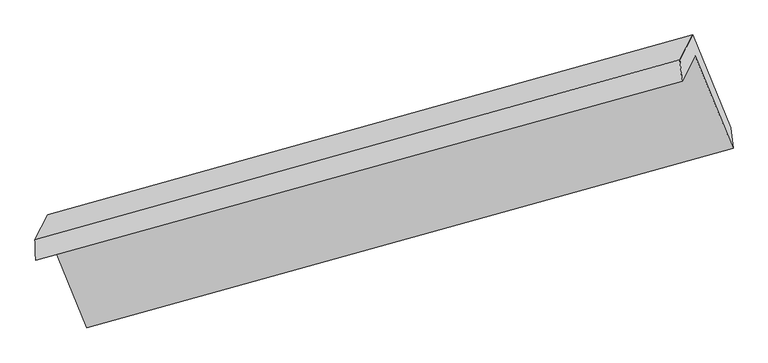
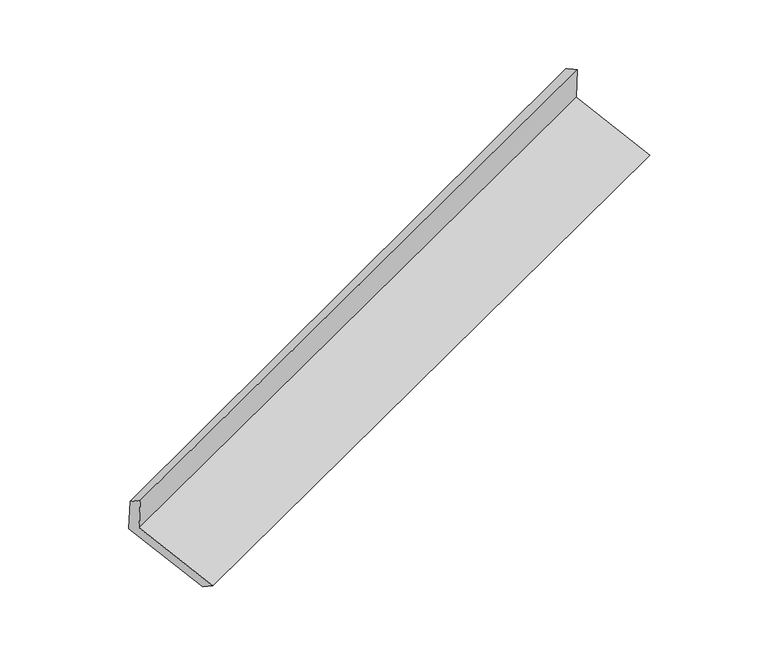
"""IFC4 building model written with IfcOpenShell, lengths in millimetres: proxy geometry."""

import ifcopenshell
import ifcopenshell.guid

model = None  # the IFC model being written
_history = None  # IfcOwnerHistory: only IFC2X3 demands one
_inside = {}  # id of a spatial element -> (the spatial element, [elements in it])
_under = {}  # id of a project, library or spatial element -> (it, [spatial elements below it])
_declared = {}  # id of a project -> (the project, [libraries it declares])
_typed = {}  # id of a type object -> (the type object, [elements of that type])
_made_of = {}  # id of a material, layer set ... -> (it, [elements and type objects made of it])


def new_model(schema):
    """Start an empty IFC model of exactly this schema.

    Asked for "IFC4X3", IfcOpenShell would pick the latest addendum, in which some entities
    have other attributes; the version numbers below select the first issue.
    IFC2X3 requires an IfcOwnerHistory on every rooted entity: one is made here for all.
    """
    global model, _history
    if schema == "IFC4X3":
        model = ifcopenshell.file(schema_version=(4, 3, 0, 0))
    else:
        model = ifcopenshell.file(schema=schema)
    _inside.clear()
    _under.clear()
    _declared.clear()
    _typed.clear()
    _made_of.clear()
    _history = None
    if model.schema == "IFC2X3":
        org = make("IfcOrganization", Name="unknown")
        user = make(
            "IfcPersonAndOrganization",
            ThePerson=make("IfcPerson", FamilyName="unknown"),
            TheOrganization=org,
        )
        app = make(
            "IfcApplication",
            ApplicationDeveloper=org,
            Version="unknown",
            ApplicationFullName="unknown",
            ApplicationIdentifier="unknown",
        )
        _history = make(
            "IfcOwnerHistory",
            OwningUser=user,
            OwningApplication=app,
            ChangeAction="ADDED",
            CreationDate=0,
        )
    return model


def make(cls, **values):
    """One entity of the class cls with the attributes given. An attribute that is None is left unset."""
    return model.create_entity(
        cls, **{name: value for name, value in values.items() if value is not None}
    )


def rooted(cls, **values):
    """An entity with a GlobalId (a new one), such as an element, a storey or a relation."""
    return make(cls, GlobalId=ifcopenshell.guid.new(), OwnerHistory=_history, **values)


def si_unit(unit_type, name, prefix=None):
    """IfcSIUnit, for example si_unit("LENGTHUNIT", "METRE", prefix="MILLI")."""
    return make("IfcSIUnit", UnitType=unit_type, Prefix=prefix, Name=name)


def assignment(units):
    """IfcUnitAssignment: the units of a project."""
    return None if units is None else make("IfcUnitAssignment", Units=units)


def point(xyz):
    """IfcCartesianPoint."""
    return None if xyz is None else make("IfcCartesianPoint", Coordinates=xyz)


def direction(xyz):
    """IfcDirection."""
    return None if xyz is None else make("IfcDirection", DirectionRatios=xyz)


def frame(location, z_axis=None, x_axis=None):
    """IfcAxis2Placement3D, a coordinate frame: its origin and axes. An axis left out is left unset."""
    return make(
        "IfcAxis2Placement3D",
        Location=point(location),
        Axis=direction(z_axis),
        RefDirection=direction(x_axis),
    )


def origin():
    """The frame at (0, 0, 0) with its axes left unset."""
    return frame((0.0, 0.0, 0.0))


def place(relative_to, where):
    """IfcLocalPlacement: puts the frame where relative to a parent placement (None: the world)."""
    return make(
        "IfcLocalPlacement", PlacementRelTo=relative_to, RelativePlacement=where
    )


def context(
    kind, dimensions, precision=None, world=None, true_north=None, identifier=None
):
    """IfcGeometricRepresentationContext, for example the 3D "Model" context."""
    return make(
        "IfcGeometricRepresentationContext",
        ContextIdentifier=identifier,
        ContextType=kind,
        CoordinateSpaceDimension=dimensions,
        Precision=precision,
        WorldCoordinateSystem=world,
        TrueNorth=true_north,
    )


def project(units=None, contexts=None):
    """IfcProject with its units and contexts."""
    return rooted(
        "IfcProject",
        Name="project",
        RepresentationContexts=contexts,
        UnitsInContext=assignment(units),
    )


def spatial(cls, under=None, at=None, **own):
    """A site, building, storey or space (cls), placed at a placement, below another one or the project."""
    s = rooted(cls, ObjectPlacement=at, **own)
    if under is not None:
        _under.setdefault(under.id(), (under, []))[1].append(s)
    return s


def shape(context_of_items, identifier, shape_type, items):
    """IfcShapeRepresentation: the items that make up one representation, for example the "Body"."""
    return make(
        "IfcShapeRepresentation",
        ContextOfItems=context_of_items,
        RepresentationIdentifier=identifier,
        RepresentationType=shape_type,
        Items=items,
    )


def source(mapping_origin, context_of_items, identifier, shape_type, items):
    """IfcRepresentationMap: a shape defined once, which mapped items show again and again."""
    return make(
        "IfcRepresentationMap",
        MappingOrigin=mapping_origin,
        MappedRepresentation=shape(context_of_items, identifier, shape_type, items),
    )


def transform(
    local_origin,
    x_axis=None,
    y_axis=None,
    z_axis=None,
    scale=None,
    scale2=None,
    scale3=None,
    uniform=True,
):
    """IfcCartesianTransformationOperator3D, or its non-uniform kind. x_axis, y_axis, z_axis: its Axis1, 2, 3."""
    if uniform:
        return make(
            "IfcCartesianTransformationOperator3D",
            Axis1=direction(x_axis),
            Axis2=direction(y_axis),
            LocalOrigin=point(local_origin),
            Scale=scale,
            Axis3=direction(z_axis),
        )
    return make(
        "IfcCartesianTransformationOperator3DnonUniform",
        Axis1=direction(x_axis),
        Axis2=direction(y_axis),
        LocalOrigin=point(local_origin),
        Scale=scale,
        Axis3=direction(z_axis),
        Scale2=scale2,
        Scale3=scale3,
    )


def mapped(mapping_source, mapping_target):
    """IfcMappedItem: shows the shape of a source again, moved by a transform."""
    return make(
        "IfcMappedItem", MappingSource=mapping_source, MappingTarget=mapping_target
    )


def made_of(thing, what):
    """Note that an element or type object is made of a material, layer set ...; save() writes the relation."""
    if what is not None:
        _made_of.setdefault(what.id(), (what, []))[1].append(thing)
    return thing


def element(
    cls,
    number,
    at=None,
    inside=None,
    cuts=None,
    type_object=None,
    material=None,
    context=None,
    identifier="Body",
    shape_type=None,
    held_by="IfcProductDefinitionShape",
    body=None,
    shapes=None,
    **own,
):
    """One element of the class cls, such as IfcWall. Its Tag is "e" and its number.

    at: its placement. inside: the storey or other place that contains it. cuts: it is an
    opening in that element (IfcRelVoidsElement). A single representation is given by context,
    identifier, shape_type and body (its items); several are given by shapes. held_by: the class
    of the entity that holds the representations. save() writes the other relations.
    """
    e = rooted(cls, Tag="e%d" % number, ObjectPlacement=at, **own)
    if body is not None:
        shapes = [shape(context, identifier, shape_type, body)]
    if shapes is not None:
        e.Representation = make(held_by, Representations=shapes)
    if inside is not None:
        _inside.setdefault(inside.id(), (inside, []))[1].append(e)
    if cuts is not None:
        rooted(
            "IfcRelVoidsElement", RelatingBuildingElement=cuts, RelatedOpeningElement=e
        )
    if type_object is not None:
        _typed.setdefault(type_object.id(), (type_object, []))[1].append(e)
    return made_of(e, material)


def aggregate(whole, parts):
    """IfcRelAggregates: a whole, such as a stair, and the parts it consists of."""
    return rooted("IfcRelAggregates", RelatingObject=whole, RelatedObjects=parts)


def save(model, path):
    """Write the relations noted so far, then the file.

    IfcRelAggregates (storeys below a building ...), IfcRelContainedInSpatialStructure (elements
    in a storey), IfcRelDefinesByType, IfcRelAssociatesMaterial and IfcRelDeclares: one each for
    every whole, place, type object, material and project.
    """
    for whole, parts in _under.values():
        aggregate(whole, parts)
    for where, things in _inside.values():
        rooted(
            "IfcRelContainedInSpatialStructure",
            RelatedElements=things,
            RelatingStructure=where,
        )
    for kind, things in _typed.values():
        rooted("IfcRelDefinesByType", RelatedObjects=things, RelatingType=kind)
    for what, things in _made_of.values():
        rooted("IfcRelAssociatesMaterial", RelatedObjects=things, RelatingMaterial=what)
    for by, libraries in _declared.values():
        rooted("IfcRelDeclares", RelatingContext=by, RelatedDefinitions=libraries)
    model.write(path)


def plane_surface(at):
    """IfcPlane: the flat surface through the origin of the frame at, square to its z axis."""
    return make("IfcPlane", Position=at)


def spline_surface(u_degree, v_degree, points, u_multiplicities, v_multiplicities, u_knots, v_knots, weights=None):
    """IfcBSplineSurfaceWithKnots; with weights, IfcRationalBSplineSurfaceWithKnots. points: one row for each step in u."""
    own = dict(
        UDegree=u_degree,
        VDegree=v_degree,
        ControlPointsList=[[point(p) for p in row] for row in points],
        SurfaceForm="UNSPECIFIED",
        UClosed=False,
        VClosed=False,
        SelfIntersect=False,
        UMultiplicities=u_multiplicities,
        VMultiplicities=v_multiplicities,
        UKnots=u_knots,
        VKnots=v_knots,
        KnotSpec="UNSPECIFIED",
    )
    if weights is None:
        return make("IfcBSplineSurfaceWithKnots", **own)
    return make("IfcRationalBSplineSurfaceWithKnots", WeightsData=weights, **own)


def advanced_brep(points, edges, surfaces, faces):
    """IfcAdvancedBrep: a solid bounded by faces that lie on surfaces and meet in shared edges.

    An edge is (start, end): straight between two places in points (the first is 0);
    or (start, end, curve); or (start, end, curve, False) where it runs against its curve.
    A face is (place in surfaces, loops), or (place, loops, False) where it looks against
    its surface's normal. A loop lists edges by number (the first is 1), with a minus sign
    where the edge is run from its end to its start. The first loop is the outer one.
    """
    corners = [point(p) for p in points]
    vertices = [make("IfcVertexPoint", VertexGeometry=c) for c in corners]
    made = []
    for start, end, *more in edges:
        made.append(
            make(
                "IfcEdgeCurve",
                EdgeStart=vertices[start],
                EdgeEnd=vertices[end],
                EdgeGeometry=more[0] if more else make("IfcPolyline", Points=[corners[start], corners[end]]),
                SameSense=more[1] if len(more) > 1 else True,
            )
        )
    hull = []
    for where, loops, *sense in faces:
        bounds = []
        for j, loop in enumerate(loops):
            ring = [make("IfcOrientedEdge", EdgeElement=made[abs(k) - 1], Orientation=k > 0) for k in loop]
            bounds.append(
                make(
                    "IfcFaceOuterBound" if j == 0 else "IfcFaceBound",
                    Bound=make("IfcEdgeLoop", EdgeList=ring),
                    Orientation=True,
                )
            )
        hull.append(make("IfcAdvancedFace", Bounds=bounds, FaceSurface=surfaces[where], SameSense=sense[0] if sense else True))
    return make("IfcAdvancedBrep", Outer=make("IfcClosedShell", CfsFaces=hull))


def generic_models_d522c2b1(model_context):
    return source(origin(), model_context, "Body", "AdvancedBrep", [
        advanced_brep(
        [(-5043.1779033, -2051.5321393, 1540.4980933), (-4959.9950027, -1889.8347879, 1185.2770568), (-857.1494021, -752.6138596, 2646.8637423), (-940.3323027, -914.311211, 3002.0847788), (-5048.1044588, -1921.9287579, 1453.9003834), (-953.7778297, -777.613178, 2933.5727827), (-4965.2817354, -1760.9315468, 1100.2174336), (-873.039587, -620.6679414, 2588.7913183), (-4724.1532235, -2349.9792324, 888.5473075), (-631.911075, -1209.7156271, 2377.1211921), (-4719.0771214, -2478.3679286, 973.7918287), (-616.2315208, -1341.1470003, 2435.3785142)],
        [
            (0, 1),
            (1, 2),
            (2, 3),
            (3, 0),
            (4, 0),
            (3, 5),
            (5, 4),
            (6, 4),
            (5, 7),
            (7, 6),
            (8, 6),
            (7, 9),
            (9, 8),
            (10, 8),
            (9, 11),
            (11, 10),
            (1, 10),
            (11, 2),
        ],
        [
            plane_surface(frame((-5001.586453, -1970.6834636, 1362.887575), z_axis=(0.3564504117685719, -0.8790164784400993, -0.3166593352181206), x_axis=(0.20844806445019573, 0.40519745891442455, -0.8901485402539625))),
            spline_surface(1, 1, [[(-5048.1044588, -1921.9287579, 1453.9003834), (-953.7778297, -777.613178, 2933.5727827)], [(-5043.1779033, -2051.5321393, 1540.4980933), (-940.3323027, -914.311211, 3002.0847788)]], [2, 2], [2, 2], [0.0, 1.0], [0.0, 1.0]),
            plane_surface(frame((-5006.6930971, -1841.4301523, 1277.0589085), z_axis=(-0.3594833694992593, 0.8781742363870104, 0.3155657104305697), x_axis=(-0.20844806445019542, -0.40519745891442405, 0.8901485402539628))),
            plane_surface(frame((-4844.7174794, -2055.4553896, 994.3823706), z_axis=(0.210468197539543, 0.4057612059666395, -0.889416090228277), x_axis=(-0.3594833694992645, 0.8781742363870056, 0.3155657104305771))),
            spline_surface(1, 1, [[(-4719.0771214, -2478.3679286, 973.7918287), (-616.2315208, -1341.1470003, 2435.3785142)], [(-4724.1532235, -2349.9792324, 888.5473075), (-631.911075, -1209.7156271, 2377.1211921)]], [2, 2], [2, 2], [0.0, 1.0], [0.0, 1.0]),
            plane_surface(frame((-4839.536062, -2184.1013582, 1079.5344427), z_axis=(-0.20541594528409918, -0.40434809144085665, 0.8912389748945996), x_axis=(0.3594833694992525, -0.8781742363870162, -0.3155657104305614))),
            plane_surface(frame((-812.0736195, -936.0114696, 2663.9687214), z_axis=(0.9095719385955264, 0.25421453505924163, 0.32871546766799664), x_axis=(-0.3594833694992645, 0.8781742363870056, 0.3155657104305771))),
            plane_surface(frame((-4909.9649075, -2075.4290655, 1190.3720172), z_axis=(-0.9095719385955161, -0.2542145350592664, -0.32871546766800586), x_axis=(-0.20844806445019562, -0.4051974589144243, 0.8901485402539627))),
        ],
        [
            (0, [[1, 2, 3, 4]]),
            (1, [[5, -4, 6, 7]]),
            (2, [[8, -7, 9, 10]]),
            (3, [[11, -10, 12, 13]]),
            (4, [[14, -13, 15, 16]]),
            (5, [[17, -16, 18, -2]]),
            (6, [[-12, -9, -6, -3, -18, -15]]),
            (7, [[-1, -5, -8, -11, -14, -17]]),
        ],
    ),
    ])


if __name__ == "__main__":
    model = new_model("IFC4")
    model_context = context("Model", 3, world=origin())
    ifc_project = project(units=[si_unit("LENGTHUNIT", "METRE", prefix="MILLI")], contexts=[model_context])
    site = spatial("IfcSite", under=ifc_project)
    building = spatial("IfcBuilding", under=site)
    placement = place(None, origin())
    generic_models_shape = generic_models_d522c2b1(model_context)
    element("IfcBuildingElementProxy", 1, Name="Generic Models", at=placement, inside=building, context=model_context, shape_type="MappedRepresentation", body=[
        mapped(generic_models_shape, transform((0.0, 0.0, 0.0), x_axis=(1.0, 0.0, 0.0), y_axis=(0.0, 1.0, 0.0), z_axis=(0.0, 0.0, 1.0))),
    ])
    save(model, "model.ifc")
